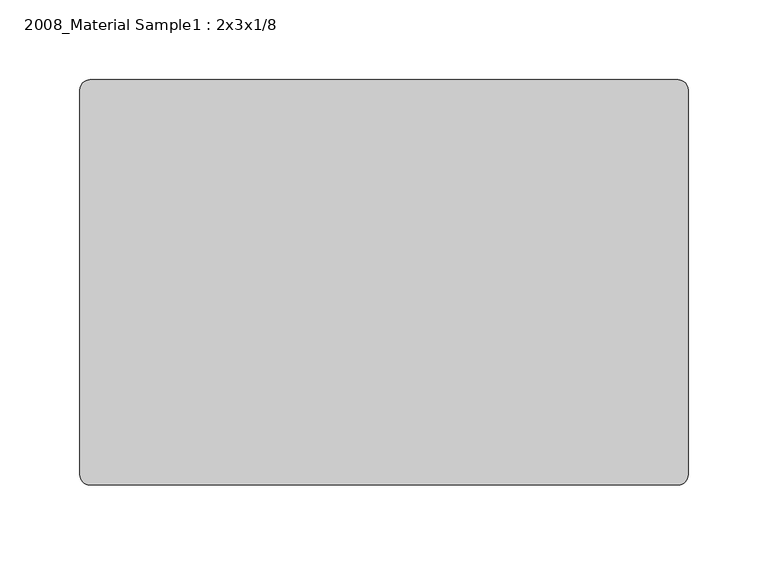
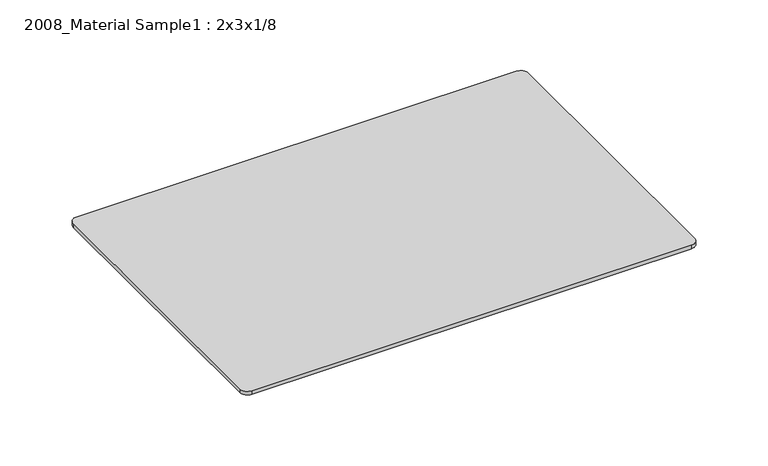
"""IFC4 building model written with IfcOpenShell, lengths in millimetres: furniture geometry, 2008_Material Sample1 : 2x3x1/8."""

from ifc_helpers import new_model, si_unit, point, frame, frame_2d, origin, place, context, project, spatial, polyline, circle_curve, trimmed, segment, composite_curve, outline, extrude, source, transform, mapped, element, save


def furniture_2008_material_sample1_2x3x1_8_96bf408c(model_context):
    return source(origin(), model_context, "Body", "SweptSolid", [
        extrude(outline(composite_curve([segment(trimmed(circle_curve(frame_2d((21215.2392185, 10811.8982463)), 6.35), [point((21215.2392185, 10818.2482463))], [point((21221.5892185, 10811.8982463))], False, "CARTESIAN"), True, "CONTINUOUS"), segment(polyline([(21221.5892185, 10811.8982463), (21221.5892185, 10570.5982463)]), True, "CONTINUOUS"), segment(trimmed(circle_curve(frame_2d((21215.2392185, 10570.5982463)), 6.35), [point((21221.5892185, 10570.5982463))], [point((21215.2392185, 10564.2482463))], False, "CARTESIAN"), True, "CONTINUOUS"), segment(polyline([(21215.2392185, 10564.2482463), (20846.9392185, 10564.2482463)]), True, "CONTINUOUS"), segment(trimmed(circle_curve(frame_2d((20846.9392185, 10570.5982463)), 6.35), [point((20846.9392185, 10564.2482463))], [point((20840.5892185, 10570.5982463))], False, "CARTESIAN"), True, "CONTINUOUS"), segment(polyline([(20840.5892185, 10570.5982463), (20840.5892185, 10811.8982463)]), True, "CONTINUOUS"), segment(trimmed(circle_curve(frame_2d((20846.9392185, 10811.8982463)), 6.35), [point((20840.5892185, 10811.8982463))], [point((20846.9392185, 10818.2482463))], False, "CARTESIAN"), True, "CONTINUOUS"), segment(polyline([(20846.9392185, 10818.2482463), (21215.2392185, 10818.2482463)]), True, "CONTINUOUS")], self_intersect=False)), frame((0.0, 0.0, -3.175), z_axis=(0.0, 0.0, 1.0), x_axis=(1.0, 0.0, 0.0)), (0.0, 0.0, 1.0), 3.175),
    ])


if __name__ == "__main__":
    model = new_model("IFC4")
    model_context = context("Model", 3, world=origin())
    ifc_project = project(units=[si_unit("LENGTHUNIT", "METRE", prefix="MILLI")], contexts=[model_context])
    site = spatial("IfcSite", under=ifc_project)
    building = spatial("IfcBuilding", under=site)
    placement = place(None, origin())
    furniture_2008_material_sample1_2x3x1_8_shape = furniture_2008_material_sample1_2x3x1_8_96bf408c(model_context)
    element("IfcFurniture", 1, ObjectType="2008_Material Sample1 : 2x3x1/8", at=placement, inside=building, context=model_context, shape_type="MappedRepresentation", body=[
        mapped(furniture_2008_material_sample1_2x3x1_8_shape, transform((0.0, 0.0, 0.0), x_axis=(1.0, 0.0, 0.0), y_axis=(0.0, 1.0, 0.0), z_axis=(0.0, 0.0, 1.0))),
    ])
    save(model, "model.ifc")
